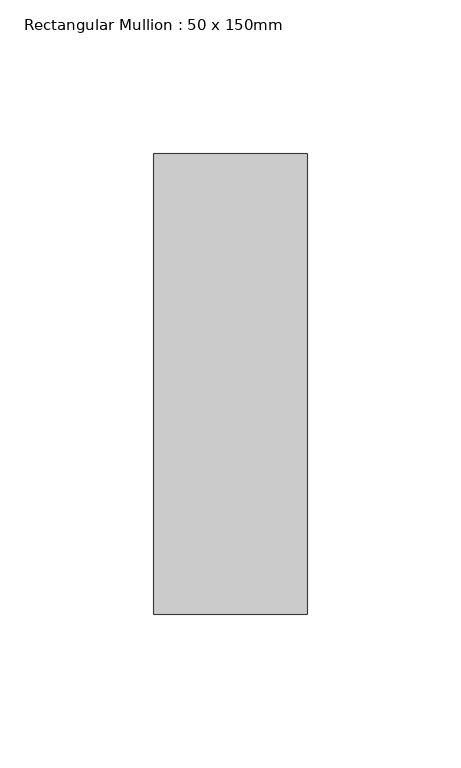
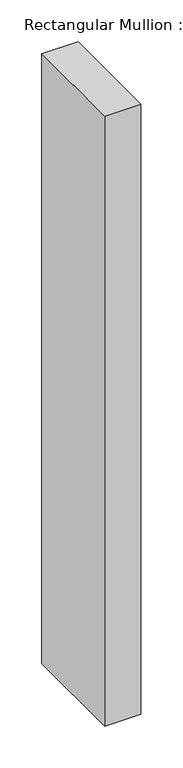
"""IFC4 building model written with IfcOpenShell, lengths in millimetres: member geometry, Rectangular Mullion : 50 x 150mm."""

from ifc_helpers import new_model, si_unit, frame, origin, place, context, project, spatial, polyline, outline, extrude, source, transform, mapped, element, save


def rectangular_mullion_50_x_150mm_1c5778b9(model_context):
    return source(origin(), model_context, "Body", "SweptSolid", [
        extrude(outline(polyline([(25.0, 75.0), (25.0, -75.0), (-25.0, -75.0), (-25.0, 75.0), (25.0, 75.0)])), frame((0.0, 0.0, -890.6062619), z_axis=(0.0, 0.0, 1.0), x_axis=(1.0, 0.0, 0.0)), (0.0, 0.0, 1.0), 890.6062619),
    ])


if __name__ == "__main__":
    model = new_model("IFC4")
    model_context = context("Model", 3, world=origin())
    ifc_project = project(units=[si_unit("LENGTHUNIT", "METRE", prefix="MILLI")], contexts=[model_context])
    site = spatial("IfcSite", under=ifc_project)
    building = spatial("IfcBuilding", under=site)
    placement = place(None, origin())
    rectangular_mullion_50_x_150mm_shape = rectangular_mullion_50_x_150mm_1c5778b9(model_context)
    element("IfcMember", 1, ObjectType="Rectangular Mullion : 50 x 150mm", at=placement, inside=building, context=model_context, shape_type="MappedRepresentation", body=[
        mapped(rectangular_mullion_50_x_150mm_shape, transform((0.0, 0.0, 0.0), x_axis=(1.0, 0.0, 0.0), y_axis=(0.0, 1.0, 0.0), z_axis=(0.0, 0.0, 1.0))),
    ])
    save(model, "model.ifc")
